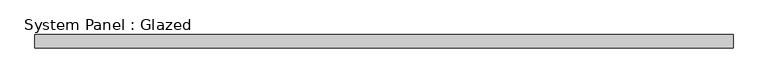
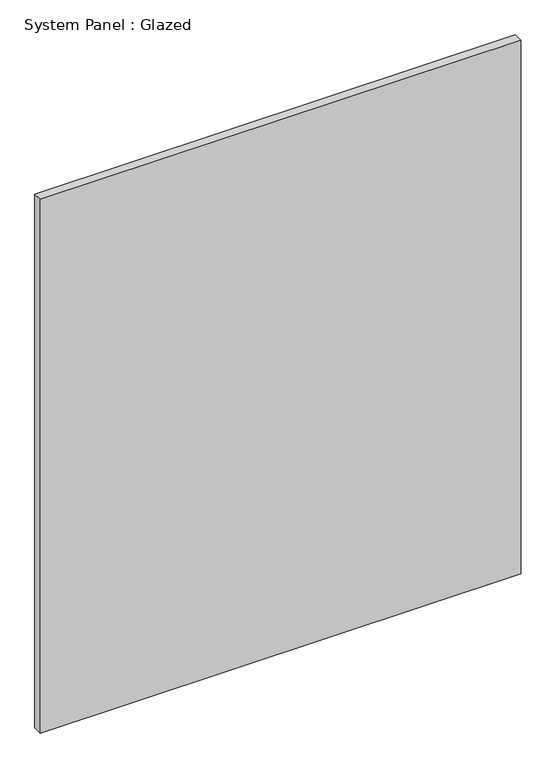
"""IFC4 building model written with IfcOpenShell, lengths in millimetres: plate geometry, System Panel : Glazed."""

import ifcopenshell
import ifcopenshell.guid

model = None  # the IFC model being written
_history = None  # IfcOwnerHistory: only IFC2X3 demands one
_inside = {}  # id of a spatial element -> (the spatial element, [elements in it])
_under = {}  # id of a project, library or spatial element -> (it, [spatial elements below it])
_declared = {}  # id of a project -> (the project, [libraries it declares])
_typed = {}  # id of a type object -> (the type object, [elements of that type])
_made_of = {}  # id of a material, layer set ... -> (it, [elements and type objects made of it])


def new_model(schema):
    """Start an empty IFC model of exactly this schema.

    Asked for "IFC4X3", IfcOpenShell would pick the latest addendum, in which some entities
    have other attributes; the version numbers below select the first issue.
    IFC2X3 requires an IfcOwnerHistory on every rooted entity: one is made here for all.
    """
    global model, _history
    if schema == "IFC4X3":
        model = ifcopenshell.file(schema_version=(4, 3, 0, 0))
    else:
        model = ifcopenshell.file(schema=schema)
    _inside.clear()
    _under.clear()
    _declared.clear()
    _typed.clear()
    _made_of.clear()
    _history = None
    if model.schema == "IFC2X3":
        org = make("IfcOrganization", Name="unknown")
        user = make(
            "IfcPersonAndOrganization",
            ThePerson=make("IfcPerson", FamilyName="unknown"),
            TheOrganization=org,
        )
        app = make(
            "IfcApplication",
            ApplicationDeveloper=org,
            Version="unknown",
            ApplicationFullName="unknown",
            ApplicationIdentifier="unknown",
        )
        _history = make(
            "IfcOwnerHistory",
            OwningUser=user,
            OwningApplication=app,
            ChangeAction="ADDED",
            CreationDate=0,
        )
    return model


def make(cls, **values):
    """One entity of the class cls with the attributes given. An attribute that is None is left unset."""
    return model.create_entity(
        cls, **{name: value for name, value in values.items() if value is not None}
    )


def rooted(cls, **values):
    """An entity with a GlobalId (a new one), such as an element, a storey or a relation."""
    return make(cls, GlobalId=ifcopenshell.guid.new(), OwnerHistory=_history, **values)


def si_unit(unit_type, name, prefix=None):
    """IfcSIUnit, for example si_unit("LENGTHUNIT", "METRE", prefix="MILLI")."""
    return make("IfcSIUnit", UnitType=unit_type, Prefix=prefix, Name=name)


def assignment(units):
    """IfcUnitAssignment: the units of a project."""
    return None if units is None else make("IfcUnitAssignment", Units=units)


def point(xyz):
    """IfcCartesianPoint."""
    return None if xyz is None else make("IfcCartesianPoint", Coordinates=xyz)


def direction(xyz):
    """IfcDirection."""
    return None if xyz is None else make("IfcDirection", DirectionRatios=xyz)


def frame(location, z_axis=None, x_axis=None):
    """IfcAxis2Placement3D, a coordinate frame: its origin and axes. An axis left out is left unset."""
    return make(
        "IfcAxis2Placement3D",
        Location=point(location),
        Axis=direction(z_axis),
        RefDirection=direction(x_axis),
    )


def origin():
    """The frame at (0, 0, 0) with its axes left unset."""
    return frame((0.0, 0.0, 0.0))


def origin_with_axes():
    """The frame at (0, 0, 0) with the z axis (0, 0, 1) and the x axis (1, 0, 0) written out."""
    return frame((0.0, 0.0, 0.0), z_axis=(0.0, 0.0, 1.0), x_axis=(1.0, 0.0, 0.0))


def place(relative_to, where):
    """IfcLocalPlacement: puts the frame where relative to a parent placement (None: the world)."""
    return make(
        "IfcLocalPlacement", PlacementRelTo=relative_to, RelativePlacement=where
    )


def context(
    kind, dimensions, precision=None, world=None, true_north=None, identifier=None
):
    """IfcGeometricRepresentationContext, for example the 3D "Model" context."""
    return make(
        "IfcGeometricRepresentationContext",
        ContextIdentifier=identifier,
        ContextType=kind,
        CoordinateSpaceDimension=dimensions,
        Precision=precision,
        WorldCoordinateSystem=world,
        TrueNorth=true_north,
    )


def project(units=None, contexts=None):
    """IfcProject with its units and contexts."""
    return rooted(
        "IfcProject",
        Name="project",
        RepresentationContexts=contexts,
        UnitsInContext=assignment(units),
    )


def spatial(cls, under=None, at=None, **own):
    """A site, building, storey or space (cls), placed at a placement, below another one or the project."""
    s = rooted(cls, ObjectPlacement=at, **own)
    if under is not None:
        _under.setdefault(under.id(), (under, []))[1].append(s)
    return s


def polyline(points):
    """IfcPolyline through the points."""
    return make("IfcPolyline", Points=[point(p) for p in points])


def outline(outer, holes=None, kind="AREA"):
    """IfcArbitraryClosedProfileDef: a profile drawn as a closed curve; with holes, ...WithVoids."""
    if holes is None:
        return make("IfcArbitraryClosedProfileDef", ProfileType=kind, OuterCurve=outer)
    return make(
        "IfcArbitraryProfileDefWithVoids",
        ProfileType=kind,
        OuterCurve=outer,
        InnerCurves=holes,
    )


def extrude(swept, where, along, depth):
    """IfcExtrudedAreaSolid: the profile swept, set in the frame where, extruded along a direction by depth."""
    return make(
        "IfcExtrudedAreaSolid",
        SweptArea=swept,
        Position=where,
        ExtrudedDirection=direction(along),
        Depth=depth,
    )


def shape(context_of_items, identifier, shape_type, items):
    """IfcShapeRepresentation: the items that make up one representation, for example the "Body"."""
    return make(
        "IfcShapeRepresentation",
        ContextOfItems=context_of_items,
        RepresentationIdentifier=identifier,
        RepresentationType=shape_type,
        Items=items,
    )


def source(mapping_origin, context_of_items, identifier, shape_type, items):
    """IfcRepresentationMap: a shape defined once, which mapped items show again and again."""
    return make(
        "IfcRepresentationMap",
        MappingOrigin=mapping_origin,
        MappedRepresentation=shape(context_of_items, identifier, shape_type, items),
    )


def transform(
    local_origin,
    x_axis=None,
    y_axis=None,
    z_axis=None,
    scale=None,
    scale2=None,
    scale3=None,
    uniform=True,
):
    """IfcCartesianTransformationOperator3D, or its non-uniform kind. x_axis, y_axis, z_axis: its Axis1, 2, 3."""
    if uniform:
        return make(
            "IfcCartesianTransformationOperator3D",
            Axis1=direction(x_axis),
            Axis2=direction(y_axis),
            LocalOrigin=point(local_origin),
            Scale=scale,
            Axis3=direction(z_axis),
        )
    return make(
        "IfcCartesianTransformationOperator3DnonUniform",
        Axis1=direction(x_axis),
        Axis2=direction(y_axis),
        LocalOrigin=point(local_origin),
        Scale=scale,
        Axis3=direction(z_axis),
        Scale2=scale2,
        Scale3=scale3,
    )


def mapped(mapping_source, mapping_target):
    """IfcMappedItem: shows the shape of a source again, moved by a transform."""
    return make(
        "IfcMappedItem", MappingSource=mapping_source, MappingTarget=mapping_target
    )


def made_of(thing, what):
    """Note that an element or type object is made of a material, layer set ...; save() writes the relation."""
    if what is not None:
        _made_of.setdefault(what.id(), (what, []))[1].append(thing)
    return thing


def element(
    cls,
    number,
    at=None,
    inside=None,
    cuts=None,
    type_object=None,
    material=None,
    context=None,
    identifier="Body",
    shape_type=None,
    held_by="IfcProductDefinitionShape",
    body=None,
    shapes=None,
    **own,
):
    """One element of the class cls, such as IfcWall. Its Tag is "e" and its number.

    at: its placement. inside: the storey or other place that contains it. cuts: it is an
    opening in that element (IfcRelVoidsElement). A single representation is given by context,
    identifier, shape_type and body (its items); several are given by shapes. held_by: the class
    of the entity that holds the representations. save() writes the other relations.
    """
    e = rooted(cls, Tag="e%d" % number, ObjectPlacement=at, **own)
    if body is not None:
        shapes = [shape(context, identifier, shape_type, body)]
    if shapes is not None:
        e.Representation = make(held_by, Representations=shapes)
    if inside is not None:
        _inside.setdefault(inside.id(), (inside, []))[1].append(e)
    if cuts is not None:
        rooted(
            "IfcRelVoidsElement", RelatingBuildingElement=cuts, RelatedOpeningElement=e
        )
    if type_object is not None:
        _typed.setdefault(type_object.id(), (type_object, []))[1].append(e)
    return made_of(e, material)


def aggregate(whole, parts):
    """IfcRelAggregates: a whole, such as a stair, and the parts it consists of."""
    return rooted("IfcRelAggregates", RelatingObject=whole, RelatedObjects=parts)


def save(model, path):
    """Write the relations noted so far, then the file.

    IfcRelAggregates (storeys below a building ...), IfcRelContainedInSpatialStructure (elements
    in a storey), IfcRelDefinesByType, IfcRelAssociatesMaterial and IfcRelDeclares: one each for
    every whole, place, type object, material and project.
    """
    for whole, parts in _under.values():
        aggregate(whole, parts)
    for where, things in _inside.values():
        rooted(
            "IfcRelContainedInSpatialStructure",
            RelatedElements=things,
            RelatingStructure=where,
        )
    for kind, things in _typed.values():
        rooted("IfcRelDefinesByType", RelatedObjects=things, RelatingType=kind)
    for what, things in _made_of.values():
        rooted("IfcRelAssociatesMaterial", RelatedObjects=things, RelatingMaterial=what)
    for by, libraries in _declared.values():
        rooted("IfcRelDeclares", RelatingContext=by, RelatedDefinitions=libraries)
    model.write(path)


def system_panel_glazed_d809b92c(model_context):
    return source(origin(), model_context, "Body", "SweptSolid", [
        extrude(outline(polyline([(650.0, -49.5), (-650.0, -49.5), (-650.0, -24.5), (650.0, -24.5), (650.0, -49.5)])), origin_with_axes(), (0.0, 0.0, 1.0), 1525.0),
    ])


if __name__ == "__main__":
    model = new_model("IFC4")
    model_context = context("Model", 3, world=origin())
    ifc_project = project(units=[si_unit("LENGTHUNIT", "METRE", prefix="MILLI")], contexts=[model_context])
    site = spatial("IfcSite", under=ifc_project)
    building = spatial("IfcBuilding", under=site)
    placement = place(None, origin())
    system_panel_glazed_shape = system_panel_glazed_d809b92c(model_context)
    element("IfcPlate", 1, ObjectType="System Panel : Glazed", at=placement, inside=building, context=model_context, shape_type="MappedRepresentation", body=[
        mapped(system_panel_glazed_shape, transform((0.0, 0.0, 0.0), x_axis=(1.0, 0.0, 0.0), y_axis=(0.0, 1.0, 0.0), z_axis=(0.0, 0.0, 1.0))),
    ])
    save(model, "model.ifc")
